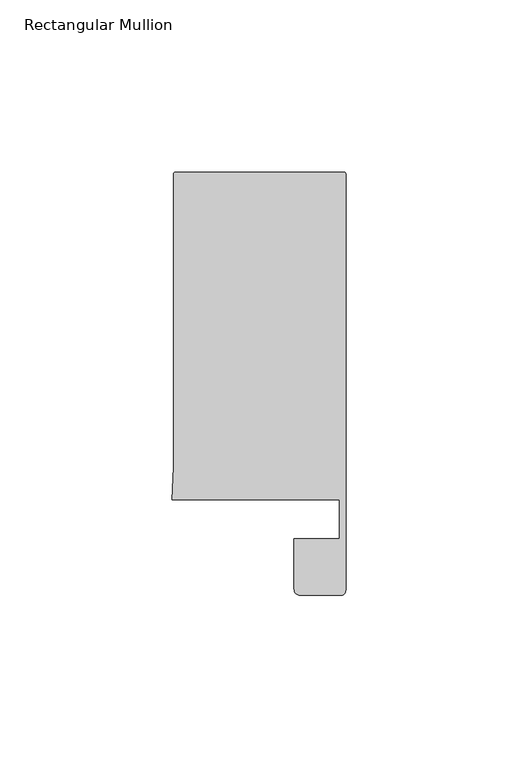
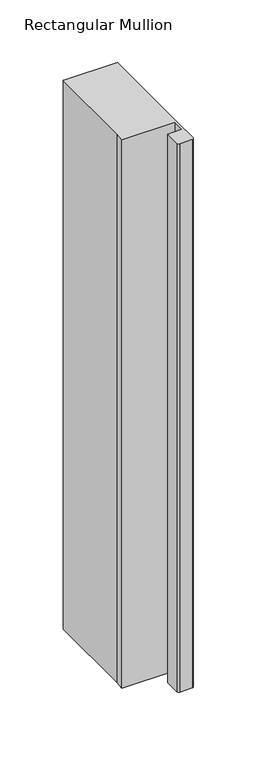
"""IFC4 building model written with IfcOpenShell, lengths in millimetres: member geometry, Rectangular Mullion."""

from ifc_helpers import new_model, si_unit, point, frame, frame_2d, origin, place, context, project, spatial, polyline, circle_curve, trimmed, segment, composite_curve, outline, extrude, source, transform, mapped, element, save


def rectangular_mullion_da682c64(model_context):
    return source(origin(), model_context, "Body", "SweptSolid", [
        extrude(outline(composite_curve([segment(trimmed(circle_curve(frame_2d((-0.5, 108.495417)), 0.5), [point((-0.5, 108.995417))], [point((0.0, 108.495417))], False, "CARTESIAN"), True, "CONTINUOUS"), segment(polyline([(0.0, 108.495417), (0.0, 14.0), (0.0, -12.3070793)]), True, "CONTINUOUS"), segment(trimmed(circle_curve(frame_2d((-1.5, -12.3070793)), 1.5), [point((0.0, -12.3070793))], [point((-1.5, -13.8070793))], False, "CARTESIAN"), True, "CONTINUOUS"), segment(polyline([(-1.5, -13.8070793), (-13.2119115, -13.8070793)]), True, "CONTINUOUS"), segment(trimmed(circle_curve(frame_2d((-13.2119115, -12.0189908)), 1.7880885), [point((-13.2119115, -13.8070793))], [point((-15.0, -12.0189908))], False, "CARTESIAN"), True, "CONTINUOUS"), segment(polyline([(-15.0, -12.0189908), (-15.0, 2.6022043), (-1.8, 2.6022043), (-1.8, 14.0), (-50.4480459, 14.0), (-50.0, 23.4856858), (-50.0, 108.495417)]), True, "CONTINUOUS"), segment(trimmed(circle_curve(frame_2d((-49.5, 108.495417)), 0.5), [point((-50.0, 108.495417))], [point((-49.5, 108.995417))], False, "CARTESIAN"), True, "CONTINUOUS"), segment(polyline([(-49.5, 108.995417), (-0.5, 108.995417)]), True, "CONTINUOUS")], self_intersect=False)), frame((0.0, 0.0, -535.2150176), z_axis=(0.0, 0.0, 1.0), x_axis=(1.0, 0.0, 0.0)), (0.0, 0.0, 1.0), 535.2150176),
    ])


if __name__ == "__main__":
    model = new_model("IFC4")
    model_context = context("Model", 3, world=origin())
    ifc_project = project(units=[si_unit("LENGTHUNIT", "METRE", prefix="MILLI")], contexts=[model_context])
    site = spatial("IfcSite", under=ifc_project)
    building = spatial("IfcBuilding", under=site)
    placement = place(None, origin())
    rectangular_mullion_shape = rectangular_mullion_da682c64(model_context)
    element("IfcMember", 1, ObjectType="Rectangular Mullion", at=placement, inside=building, context=model_context, shape_type="MappedRepresentation", body=[
        mapped(rectangular_mullion_shape, transform((0.0, 0.0, 0.0), x_axis=(1.0, 0.0, 0.0), y_axis=(0.0, 1.0, 0.0), z_axis=(0.0, 0.0, 1.0))),
    ])
    save(model, "model.ifc")
